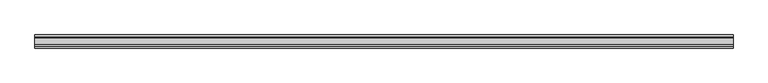
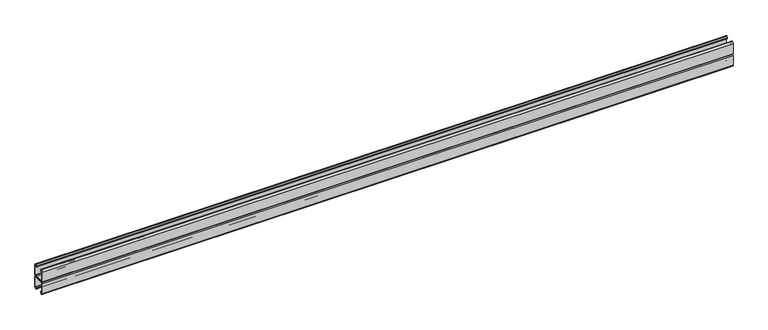
"""IFC4 building model written with IfcOpenShell, lengths in millimetres: proxy geometry."""

from ifc_helpers import new_model, si_unit, point, frame, frame_2d, origin, place, context, project, spatial, polyline, circle_curve, trimmed, segment, composite_curve, outline, extrude, source, transform, mapped, element, save


def specialty_equipment_77e56eae(model_context):
    return source(origin(), model_context, "Body", "SweptSolid", [
        extrude(outline(composite_curve([segment(trimmed(circle_curve(frame_2d((-15.58925, 5.04825)), 2.38125), [point((-17.9705, 5.04825))], [point((-15.58925, 2.667))], True, "CARTESIAN"), True, "CONTINUOUS"), segment(polyline([(-15.58925, 2.667), (-14.57325, 2.667)]), True, "CONTINUOUS"), segment(trimmed(circle_curve(frame_2d((-14.57325, 3.46075)), 0.79375), [point((-14.57325, 2.667))], [point((-13.7795, 3.46075))], True, "CARTESIAN"), True, "CONTINUOUS"), segment(polyline([(-13.7795, 3.46075), (-13.7795, 5.8039)]), True, "CONTINUOUS"), segment(trimmed(circle_curve(frame_2d((-12.446, 5.8039)), 1.3335), [point((-13.7795, 5.8039))], [point((-11.1125, 5.8039))], False, "CARTESIAN"), True, "CONTINUOUS"), segment(polyline([(-11.1125, 5.8039), (-11.1125, 3.46075)]), True, "CONTINUOUS"), segment(trimmed(circle_curve(frame_2d((-14.57325, 3.46075)), 3.46075), [point((-11.1125, 3.46075))], [point((-14.57325, 0.0))], False, "CARTESIAN"), True, "CONTINUOUS"), segment(polyline([(-14.57325, 0.0), (-15.58925, 0.0)]), True, "CONTINUOUS"), segment(trimmed(circle_curve(frame_2d((-15.58925, 5.04825)), 5.04825), [point((-15.58925, 0.0))], [point((-20.6375, 5.04825))], False, "CARTESIAN"), True, "CONTINUOUS"), segment(polyline([(-20.6375, 5.04825), (-20.6375, 37.81425)]), True, "CONTINUOUS"), segment(trimmed(circle_curve(frame_2d((-17.17675, 37.81425)), 3.46075), [point((-20.6375, 37.81425))], [point((-17.17675, 41.275))], False, "CARTESIAN"), True, "CONTINUOUS"), segment(polyline([(-17.17675, 41.275), (17.17675, 41.275)]), True, "CONTINUOUS"), segment(trimmed(circle_curve(frame_2d((17.17675, 37.81425)), 3.46075), [point((17.17675, 41.275))], [point((20.6375, 37.81425))], False, "CARTESIAN"), True, "CONTINUOUS"), segment(polyline([(20.6375, 37.81425), (20.6375, 5.04825)]), True, "CONTINUOUS"), segment(trimmed(circle_curve(frame_2d((15.58925, 5.04825)), 5.04825), [point((20.6375, 5.04825))], [point((15.58925, 0.0))], False, "CARTESIAN"), True, "CONTINUOUS"), segment(polyline([(15.58925, 0.0), (14.57325, 0.0)]), True, "CONTINUOUS"), segment(trimmed(circle_curve(frame_2d((14.57325, 3.46075)), 3.46075), [point((14.57325, 0.0))], [point((11.1125, 3.46075))], False, "CARTESIAN"), True, "CONTINUOUS"), segment(polyline([(11.1125, 3.46075), (11.1125, 5.8039)]), True, "CONTINUOUS"), segment(trimmed(circle_curve(frame_2d((12.446, 5.8039)), 1.3335), [point((11.1125, 5.8039))], [point((13.7795, 5.8039))], False, "CARTESIAN"), True, "CONTINUOUS"), segment(polyline([(13.7795, 5.8039), (13.7795, 3.46075)]), True, "CONTINUOUS"), segment(trimmed(circle_curve(frame_2d((14.57325, 3.46075)), 0.79375), [point((13.7795, 3.46075))], [point((14.57325, 2.667))], True, "CARTESIAN"), True, "CONTINUOUS"), segment(polyline([(14.57325, 2.667), (15.58925, 2.667)]), True, "CONTINUOUS"), segment(trimmed(circle_curve(frame_2d((15.58925, 5.04825)), 2.38125), [point((15.58925, 2.667))], [point((17.9705, 5.04825))], True, "CARTESIAN"), True, "CONTINUOUS"), segment(polyline([(17.9705, 5.04825), (17.9705, 37.81425)]), True, "CONTINUOUS"), segment(trimmed(circle_curve(frame_2d((17.17675, 37.81425)), 0.79375), [point((17.9705, 37.81425))], [point((17.17675, 38.608))], True, "CARTESIAN"), True, "CONTINUOUS"), segment(polyline([(17.17675, 38.608), (-17.17675, 38.608)]), True, "CONTINUOUS"), segment(trimmed(circle_curve(frame_2d((-17.17675, 37.81425)), 0.79375), [point((-17.17675, 38.608))], [point((-17.9705, 37.81425))], True, "CARTESIAN"), True, "CONTINUOUS"), segment(polyline([(-17.9705, 37.81425), (-17.9705, 5.04825)]), True, "CONTINUOUS")], self_intersect=False)), frame((-500.0, 0.0, 0.0), z_axis=(1.0, 0.0, 0.0), x_axis=(0.0, 1.0, 0.0)), (0.0, 0.0, 1.0), 2200.0),
        extrude(outline(composite_curve([segment(polyline([(-17.9705, 77.50175), (-17.9705, 44.73575)]), True, "CONTINUOUS"), segment(trimmed(circle_curve(frame_2d((-17.17675, 44.73575)), 0.79375), [point((-17.9705, 44.73575))], [point((-17.17675, 43.942))], True, "CARTESIAN"), True, "CONTINUOUS"), segment(polyline([(-17.17675, 43.942), (17.17675, 43.942)]), True, "CONTINUOUS"), segment(trimmed(circle_curve(frame_2d((17.17675, 44.73575)), 0.79375), [point((17.17675, 43.942))], [point((17.9705, 44.73575))], True, "CARTESIAN"), True, "CONTINUOUS"), segment(polyline([(17.9705, 44.73575), (17.9705, 77.50175)]), True, "CONTINUOUS"), segment(trimmed(circle_curve(frame_2d((15.58925, 77.50175)), 2.38125), [point((17.9705, 77.50175))], [point((15.58925, 79.883))], True, "CARTESIAN"), True, "CONTINUOUS"), segment(polyline([(15.58925, 79.883), (14.57325, 79.883)]), True, "CONTINUOUS"), segment(trimmed(circle_curve(frame_2d((14.57325, 79.08925)), 0.79375), [point((14.57325, 79.883))], [point((13.7795, 79.08925))], True, "CARTESIAN"), True, "CONTINUOUS"), segment(polyline([(13.7795, 79.08925), (13.7795, 76.7461)]), True, "CONTINUOUS"), segment(trimmed(circle_curve(frame_2d((12.446, 76.7461)), 1.3335), [point((13.7795, 76.7461))], [point((11.1125, 76.7461))], False, "CARTESIAN"), True, "CONTINUOUS"), segment(polyline([(11.1125, 76.7461), (11.1125, 79.08925)]), True, "CONTINUOUS"), segment(trimmed(circle_curve(frame_2d((14.57325, 79.08925)), 3.46075), [point((11.1125, 79.08925))], [point((14.57325, 82.55))], False, "CARTESIAN"), True, "CONTINUOUS"), segment(polyline([(14.57325, 82.55), (15.58925, 82.55)]), True, "CONTINUOUS"), segment(trimmed(circle_curve(frame_2d((15.58925, 77.50175)), 5.04825), [point((15.58925, 82.55))], [point((20.6375, 77.50175))], False, "CARTESIAN"), True, "CONTINUOUS"), segment(polyline([(20.6375, 77.50175), (20.6375, 44.73575)]), True, "CONTINUOUS"), segment(trimmed(circle_curve(frame_2d((17.17675, 44.73575)), 3.46075), [point((20.6375, 44.73575))], [point((17.17675, 41.275))], False, "CARTESIAN"), True, "CONTINUOUS"), segment(polyline([(17.17675, 41.275), (-17.17675, 41.275)]), True, "CONTINUOUS"), segment(trimmed(circle_curve(frame_2d((-17.17675, 44.73575)), 3.46075), [point((-17.17675, 41.275))], [point((-20.6375, 44.73575))], False, "CARTESIAN"), True, "CONTINUOUS"), segment(polyline([(-20.6375, 44.73575), (-20.6375, 77.50175)]), True, "CONTINUOUS"), segment(trimmed(circle_curve(frame_2d((-15.58925, 77.50175)), 5.04825), [point((-20.6375, 77.50175))], [point((-15.58925, 82.55))], False, "CARTESIAN"), True, "CONTINUOUS"), segment(polyline([(-15.58925, 82.55), (-14.57325, 82.55)]), True, "CONTINUOUS"), segment(trimmed(circle_curve(frame_2d((-14.57325, 79.08925)), 3.46075), [point((-14.57325, 82.55))], [point((-11.1125, 79.08925))], False, "CARTESIAN"), True, "CONTINUOUS"), segment(polyline([(-11.1125, 79.08925), (-11.1125, 76.7461)]), True, "CONTINUOUS"), segment(trimmed(circle_curve(frame_2d((-12.446, 76.7461)), 1.3335), [point((-11.1125, 76.7461))], [point((-13.7795, 76.7461))], False, "CARTESIAN"), True, "CONTINUOUS"), segment(polyline([(-13.7795, 76.7461), (-13.7795, 79.08925)]), True, "CONTINUOUS"), segment(trimmed(circle_curve(frame_2d((-14.57325, 79.08925)), 0.79375), [point((-13.7795, 79.08925))], [point((-14.57325, 79.883))], True, "CARTESIAN"), True, "CONTINUOUS"), segment(polyline([(-14.57325, 79.883), (-15.58925, 79.883)]), True, "CONTINUOUS"), segment(trimmed(circle_curve(frame_2d((-15.58925, 77.50175)), 2.38125), [point((-15.58925, 79.883))], [point((-17.9705, 77.50175))], True, "CARTESIAN"), True, "CONTINUOUS")], self_intersect=False)), frame((-500.0, 0.0, 0.0), z_axis=(1.0, 0.0, 0.0), x_axis=(0.0, 1.0, 0.0)), (0.0, 0.0, 1.0), 2200.0),
    ])


if __name__ == "__main__":
    model = new_model("IFC4")
    model_context = context("Model", 3, world=origin())
    ifc_project = project(units=[si_unit("LENGTHUNIT", "METRE", prefix="MILLI")], contexts=[model_context])
    site = spatial("IfcSite", under=ifc_project)
    building = spatial("IfcBuilding", under=site)
    placement = place(None, origin())
    specialty_equipment_shape = specialty_equipment_77e56eae(model_context)
    element("IfcBuildingElementProxy", 1, Name="Specialty Equipment", at=placement, inside=building, context=model_context, shape_type="MappedRepresentation", body=[
        mapped(specialty_equipment_shape, transform((0.0, 0.0, 0.0), x_axis=(1.0, 0.0, 0.0), y_axis=(0.0, 1.0, 0.0), z_axis=(0.0, 0.0, 1.0))),
    ])
    save(model, "model.ifc")
